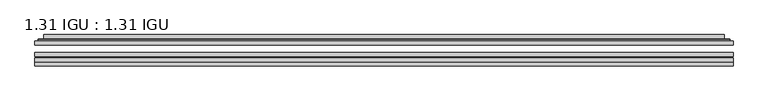
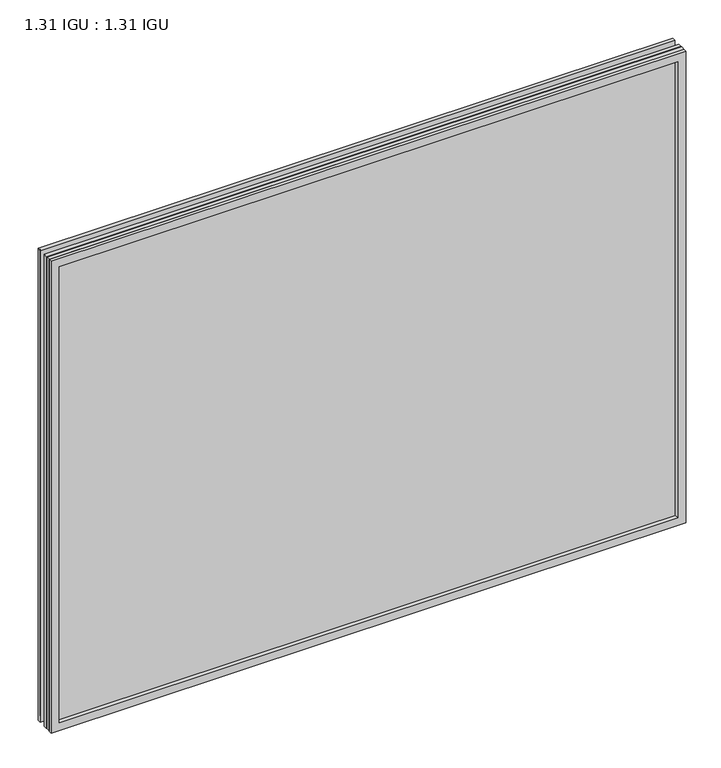
"""IFC4 building model written with IfcOpenShell, lengths in millimetres: plate geometry, 1.31 IGU : 1.31 IGU."""

from ifc_helpers import new_model, si_unit, frame, origin, place, context, project, spatial, polyline, ellipse_curve, outline, extrude, faceted_brep, source, transform, mapped, element, save
from ifc_brep_helpers import plane_surface, cylinder_surface, advanced_brep


def plate_1_31_igu_1_31_igu_f6a92452(model_context):
    return source(origin(), model_context, "Body", "SolidModel", [
        extrude(outline(polyline([(554.05485, -63.2975937), (554.05485, -69.6475938), (-554.040675, -69.6475938), (-554.040675, -63.2975937), (554.05485, -63.2975937)])), frame((0.0, 0.0, -14.2875), z_axis=(0.0, 0.0, 1.0), x_axis=(1.0, 0.0, 0.0)), (0.0, 0.0, 1.0), 869.9537979),
        extrude(outline(polyline([(-554.040675, -78.2835938), (-554.040675, -71.9330887), (554.05485, -71.9330887), (554.05485, -78.2835938), (-554.040675, -78.2835938)])), frame((0.0, 0.0, -14.2875), z_axis=(0.0, 0.0, 1.0), x_axis=(1.0, 0.0, 0.0)), (0.0, 0.0, 1.0), 869.9537979),
        extrude(outline(polyline([(554.05485, -44.9587937), (554.05485, -51.3087938), (-554.040675, -51.3087938), (-554.040675, -44.9587937), (554.05485, -44.9587937)])), frame((0.0, 0.0, -14.2875), z_axis=(0.0, 0.0, 1.0), x_axis=(1.0, 0.0, 0.0)), (0.0, 0.0, 1.0), 869.9537979),
        faceted_brep([(-554.053375, -84.6335937, 855.6752), (-554.053375, -78.2835937, 855.6752), (-554.053375, -78.2835937, -14.3002), (-554.053375, -84.6335937, -14.3002), (554.053375, -78.2835937, -14.3002), (554.053375, -84.6335937, -14.3002), (554.053375, -78.2835937, 855.6752), (554.053375, -84.6335937, 855.6752), (-538.8554309, -78.2835937, 0.8977441), (538.8554309, -78.2835937, 0.8977441), (538.8554309, -78.2835937, 840.4772559), (-538.8554309, -78.2835937, 840.4772559), (-539.7478652, -84.6335937, 841.3696902), (539.7478652, -84.6335937, 841.3696902), (539.7478652, -84.6335937, 0.0053098), (-539.7478652, -84.6335937, 0.0053098)], [[[0, 1, 2, 3]], [[3, 2, 4, 5]], [[5, 4, 6, 7]], [[1, 6, 4, 2], [8, 9, 10, 11]], [[7, 6, 1, 0]], [[3, 5, 7, 0], [12, 13, 14, 15]], [[11, 12, 15, 8]], [[8, 15, 14, 9]], [[9, 14, 13, 10]], [[10, 13, 12, 11]]]),
        advanced_brep(
        [(-546.799394, -44.9587937, 848.421219), (-549.1535994, -42.9691271, 850.7754244), (-549.1535994, -42.9691271, -9.4004244), (-546.799394, -44.9587937, -7.046219), (-537.7250689, -41.1187568, 839.3468939), (-532.7902371, -44.9587937, 834.4120621), (-532.7902371, -44.9587937, 6.9629379), (-537.7250689, -41.1187568, 2.0281061), (-538.7570967, -35.7215256, 840.3789217), (-538.7570967, -35.7215256, 0.9960783), (-539.7477534, -35.3225507, 841.3695784), (-539.7477534, -35.3225507, 0.0054216), (-539.7477534, -41.7837937, 841.3695784), (-539.7477534, -41.7837937, 0.0054216), (-548.1518099, -41.7837937, 849.7736349), (-548.1518099, -41.7837937, -8.3986349), (549.1535994, -42.9691271, -9.4004244), (546.799394, -44.9587937, -7.046219), (532.7902371, -44.9587937, 6.9629379), (537.7250689, -41.1187568, 2.0281061), (538.7570967, -35.7215256, 0.9960783), (539.7477534, -35.3225507, 0.0054216), (539.7477534, -41.7837937, 0.0054216), (548.1518099, -41.7837937, -8.3986349), (549.1535994, -42.9691271, 850.7754244), (546.799394, -44.9587937, 848.421219), (532.7902371, -44.9587937, 834.4120621), (537.7250689, -41.1187568, 839.3468939), (538.7570967, -35.7215256, 840.3789217), (539.7477534, -35.3225507, 841.3695784), (539.7477534, -41.7837937, 841.3695784), (548.1518099, -41.7837937, 849.7736349)],
        [
            (0, 1, ellipse_curve(frame((-546.799394, -42.5711937, 848.421219), z_axis=(-0.7071067811865475, 0.0, -0.7071067811865475), x_axis=(-0.7071067811865474, 0.0, 0.7071067811865476)), 3.3765763, 2.3876)),
            (1, 2),
            (2, 3, ellipse_curve(frame((-546.799394, -42.5711937, -7.046219), z_axis=(-0.7071067811865475, 0.0, 0.7071067811865475), x_axis=(0.7071067811865474, 0.0, 0.7071067811865476)), 3.3765763, 2.3876)),
            (3, 0),
            (4, 5),
            (5, 6),
            (6, 7),
            (7, 4),
            (8, 4),
            (7, 9),
            (9, 8),
            (10, 8, ellipse_curve(frame((-539.3807969, -35.840786, 841.0026219), z_axis=(-0.7071067811865475, 0.0, -0.7071067811865475), x_axis=(-0.7071067811865474, 0.0, 0.7071067811865476)), 0.8980256, 0.635)),
            (9, 11, ellipse_curve(frame((-539.3807969, -35.840786, 0.3723781), z_axis=(-0.7071067811865475, 0.0, 0.7071067811865475), x_axis=(0.7071067811865474, 0.0, 0.7071067811865476)), 0.8980256, 0.635)),
            (11, 10),
            (12, 10),
            (11, 13),
            (13, 12),
            (1, 14, ellipse_curve(frame((-548.1518099, -42.7997937, 849.7736349), z_axis=(-0.7071067811865475, 0.0, -0.7071067811865475), x_axis=(-0.7071067811865474, 0.0, 0.7071067811865476)), 1.436841, 1.016)),
            (14, 15),
            (15, 2, ellipse_curve(frame((-548.1518099, -42.7997937, -8.3986349), z_axis=(-0.7071067811865475, 0.0, 0.7071067811865475), x_axis=(0.7071067811865474, 0.0, 0.7071067811865476)), 1.436841, 1.016)),
            (2, 16),
            (16, 17, ellipse_curve(frame((546.799394, -42.5711937, -7.046219), z_axis=(-0.7071067811865475, 0.0, -0.7071067811865475), x_axis=(-0.7071067811865476, 0.0, 0.7071067811865474)), 3.3765763, 2.3876)),
            (17, 3),
            (6, 18),
            (18, 19),
            (19, 7),
            (19, 20),
            (20, 9),
            (20, 21, ellipse_curve(frame((539.3807969, -35.840786, 0.3723781), z_axis=(-0.7071067811865475, 0.0, -0.7071067811865475), x_axis=(-0.7071067811865476, 0.0, 0.7071067811865474)), 0.8980256, 0.635)),
            (21, 11),
            (21, 22),
            (22, 13),
            (15, 23),
            (23, 16, ellipse_curve(frame((548.1518099, -42.7997937, -8.3986349), z_axis=(-0.7071067811865475, 0.0, -0.7071067811865475), x_axis=(-0.7071067811865476, 0.0, 0.7071067811865474)), 1.436841, 1.016)),
            (16, 24),
            (24, 25, ellipse_curve(frame((546.799394, -42.5711937, 848.421219), z_axis=(0.7071067811865475, 0.0, -0.7071067811865475), x_axis=(-0.7071067811865474, 0.0, -0.7071067811865476)), 3.3765763, 2.3876)),
            (25, 17),
            (18, 26),
            (26, 27),
            (27, 19),
            (27, 28),
            (28, 20),
            (28, 29, ellipse_curve(frame((539.3807969, -35.840786, 841.0026219), z_axis=(0.7071067811865475, 0.0, -0.7071067811865475), x_axis=(-0.7071067811865474, 0.0, -0.7071067811865476)), 0.8980256, 0.635)),
            (29, 21),
            (29, 30),
            (30, 22),
            (23, 31),
            (31, 24, ellipse_curve(frame((548.1518099, -42.7997937, 849.7736349), z_axis=(0.7071067811865475, 0.0, -0.7071067811865475), x_axis=(-0.7071067811865474, 0.0, -0.7071067811865476)), 1.436841, 1.016)),
            (24, 1),
            (0, 25),
            (5, 26),
            (4, 27),
            (8, 28),
            (10, 29),
            (12, 30),
            (14, 31),
        ],
        [
            cylinder_surface(frame((-546.799394, -42.5711937, 873.125), z_axis=(0.0, 0.0, 1.0), x_axis=(-1.0, 0.0, 0.0)), 2.3876),
            plane_surface(frame((-532.7902371, -44.9587937, 834.4120621), z_axis=(0.6141233906514794, 0.7892100234124821, 0.0), x_axis=(0.0, 0.0, -1.0))),
            plane_surface(frame((-537.7250689, -41.1187568, 839.3468939), z_axis=(0.9822050625507729, 0.18781164793386076, 0.0), x_axis=(0.0, 0.0, -1.0))),
            cylinder_surface(frame((-539.3807969, -35.840786, 873.125), z_axis=(0.0, 0.0, 1.0), x_axis=(-1.0, 0.0, 0.0)), 0.635),
            plane_surface(frame((-539.7477534, -35.3225507, 841.3695784), z_axis=(-1.0, 0.0, 0.0), x_axis=(0.0, 0.0, -1.0))),
            cylinder_surface(frame((-548.1518099, -42.7997937, 873.125), z_axis=(0.0, 0.0, 1.0), x_axis=(-1.0, 0.0, 0.0)), 1.016),
            cylinder_surface(frame((-571.503175, -42.5711937, -7.046219), z_axis=(-1.0, 0.0, 0.0), x_axis=(0.0, 0.0, -1.0)), 2.3876),
            plane_surface(frame((-532.7902371, -44.9587937, 6.9629379), z_axis=(0.0, 0.7892100234124841, 0.6141233906514768), x_axis=(1.0, 0.0, 0.0))),
            plane_surface(frame((-537.7250689, -41.1187568, 2.0281061), z_axis=(0.0, 0.18781164793386393, 0.9822050625507723), x_axis=(1.0, 0.0, 0.0))),
            cylinder_surface(frame((-571.503175, -35.840786, 0.3723781), z_axis=(-1.0, 0.0, 0.0), x_axis=(0.0, 0.0, -1.0)), 0.635),
            plane_surface(frame((-539.7477534, -35.3225507, 0.0054216), z_axis=(0.0, 0.0, -1.0), x_axis=(1.0, 0.0, 0.0))),
            cylinder_surface(frame((-571.503175, -42.7997937, -8.3986349), z_axis=(-1.0, 0.0, 0.0), x_axis=(0.0, 0.0, -1.0)), 1.016),
            cylinder_surface(frame((546.799394, -42.5711937, -31.75), z_axis=(0.0, 0.0, -1.0), x_axis=(1.0, 0.0, 0.0)), 2.3876),
            plane_surface(frame((532.7902371, -44.9587937, 6.9629379), z_axis=(-0.6141233906514743, 0.7892100234124861, 0.0), x_axis=(0.0, 0.0, 1.0))),
            plane_surface(frame((537.7250689, -41.1187568, 2.0281061), z_axis=(-0.9822050625507718, 0.1878116479338671, 0.0), x_axis=(0.0, 0.0, 1.0))),
            cylinder_surface(frame((539.3807969, -35.840786, -31.75), z_axis=(0.0, 0.0, -1.0), x_axis=(1.0, 0.0, 0.0)), 0.635),
            plane_surface(frame((539.7477534, -35.3225507, 0.0054216), z_axis=(1.0, 0.0, 0.0), x_axis=(0.0, 0.0, 1.0))),
            cylinder_surface(frame((548.1518099, -42.7997937, -31.75), z_axis=(0.0, 0.0, -1.0), x_axis=(1.0, 0.0, 0.0)), 1.016),
            cylinder_surface(frame((571.503175, -42.5711937, 848.421219), z_axis=(1.0, 0.0, 0.0), x_axis=(0.0, 0.0, 1.0)), 2.3876),
            plane_surface(frame((546.799394, -44.9587937, 848.421219), z_axis=(0.0, -1.0, 0.0), x_axis=(-1.0, 0.0, 0.0))),
            plane_surface(frame((532.7902371, -44.9587937, 834.4120621), z_axis=(0.0, 0.7892100234124841, -0.6141233906514768), x_axis=(-1.0, 0.0, 0.0))),
            plane_surface(frame((537.7250689, -41.1187568, 839.3468939), z_axis=(0.0, 0.18781164793386393, -0.9822050625507723), x_axis=(-1.0, 0.0, 0.0))),
            cylinder_surface(frame((571.503175, -35.840786, 841.0026219), z_axis=(1.0, 0.0, 0.0), x_axis=(0.0, 0.0, 1.0)), 0.635),
            plane_surface(frame((539.7477534, -35.3225507, 841.3695784), z_axis=(0.0, 0.0, 1.0), x_axis=(-1.0, 0.0, 0.0))),
            plane_surface(frame((539.7477534, -41.7837937, 841.3695784), z_axis=(0.0, 1.0, 0.0), x_axis=(-1.0, 0.0, 0.0))),
            cylinder_surface(frame((571.503175, -42.7997937, 849.7736349), z_axis=(1.0, 0.0, 0.0), x_axis=(0.0, 0.0, 1.0)), 1.016),
        ],
        [
            (0, [[1, 2, 3, 4]]),
            (1, [[5, 6, 7, 8]]),
            (2, [[9, -8, 10, 11]]),
            (3, [[12, -11, 13, 14]]),
            (4, [[15, -14, 16, 17]]),
            (5, [[18, 19, 20, -2]]),
            (6, [[-3, 21, 22, 23]]),
            (7, [[-7, 24, 25, 26]]),
            (8, [[-10, -26, 27, 28]]),
            (9, [[-13, -28, 29, 30]]),
            (10, [[-16, -30, 31, 32]]),
            (11, [[-20, 33, 34, -21]]),
            (12, [[-22, 35, 36, 37]]),
            (13, [[-25, 38, 39, 40]]),
            (14, [[-27, -40, 41, 42]]),
            (15, [[-29, -42, 43, 44]]),
            (16, [[-31, -44, 45, 46]]),
            (17, [[-34, 47, 48, -35]]),
            (18, [[-36, 49, -1, 50]]),
            (19, [[-23, -37, -50, -4], [51, -38, -24, -6]]),
            (20, [[-39, -51, -5, 52]]),
            (21, [[-41, -52, -9, 53]]),
            (22, [[-43, -53, -12, 54]]),
            (23, [[-45, -54, -15, 55]]),
            (24, [[56, -47, -33, -19], [-32, -46, -55, -17]]),
            (25, [[-48, -56, -18, -49]]),
        ],
    ),
    ])


if __name__ == "__main__":
    model = new_model("IFC4")
    model_context = context("Model", 3, world=origin())
    ifc_project = project(units=[si_unit("LENGTHUNIT", "METRE", prefix="MILLI")], contexts=[model_context])
    site = spatial("IfcSite", under=ifc_project)
    building = spatial("IfcBuilding", under=site)
    placement = place(None, origin())
    plate_1_31_igu_1_31_igu_shape = plate_1_31_igu_1_31_igu_f6a92452(model_context)
    element("IfcPlate", 1, ObjectType="1.31 IGU : 1.31 IGU", at=placement, inside=building, context=model_context, shape_type="MappedRepresentation", body=[
        mapped(plate_1_31_igu_1_31_igu_shape, transform((0.0, 0.0, 0.0), x_axis=(1.0, 0.0, 0.0), y_axis=(0.0, 1.0, 0.0), z_axis=(0.0, 0.0, 1.0))),
    ])
    save(model, "model.ifc")
